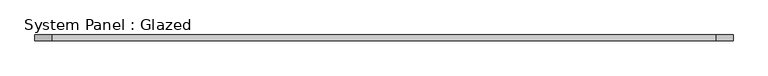
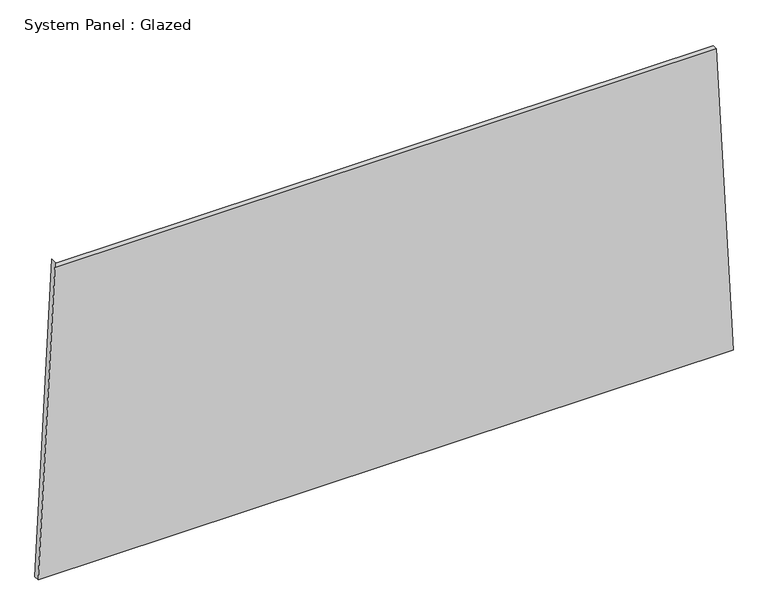
"""IFC4 building model written with IfcOpenShell, lengths in millimetres: plate geometry, System Panel : Glazed."""

from ifc_helpers import new_model, si_unit, frame, origin, place, context, project, spatial, polyline, outline, extrude, source, transform, mapped, element, save


def system_panel_glazed_d3044db6(model_context):
    return source(origin(), model_context, "Body", "SweptSolid", [
        extrude(outline(polyline([(0.0, -1550.5558176), (0.0, 1550.5558176), (1448.0291327, 1476.2563486), (1448.0285379, -1474.9724878), (1473.0285379, -1474.9724928), (0.0, -1550.5558176)])), frame((0.0, -49.5, 0.0), z_axis=(0.0, 1.0, 0.0), x_axis=(0.0, 0.0, 1.0)), (0.0, 0.0, 1.0), 25.0),
    ])


if __name__ == "__main__":
    model = new_model("IFC4")
    model_context = context("Model", 3, world=origin())
    ifc_project = project(units=[si_unit("LENGTHUNIT", "METRE", prefix="MILLI")], contexts=[model_context])
    site = spatial("IfcSite", under=ifc_project)
    building = spatial("IfcBuilding", under=site)
    placement = place(None, origin())
    system_panel_glazed_shape = system_panel_glazed_d3044db6(model_context)
    element("IfcPlate", 1, ObjectType="System Panel : Glazed", at=placement, inside=building, context=model_context, shape_type="MappedRepresentation", body=[
        mapped(system_panel_glazed_shape, transform((0.0, 0.0, 0.0), x_axis=(1.0, 0.0, 0.0), y_axis=(0.0, 1.0, 0.0), z_axis=(0.0, 0.0, 1.0))),
    ])
    save(model, "model.ifc")
